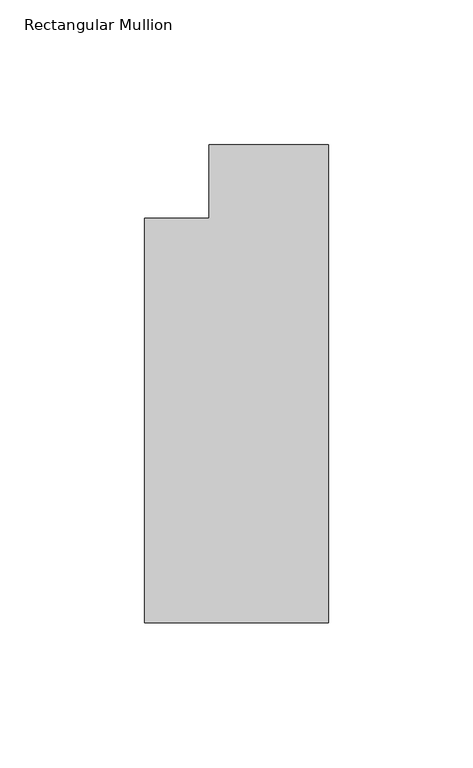
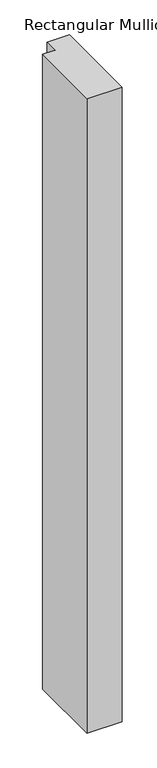
"""IFC4 building model written with IfcOpenShell, lengths in millimetres: member geometry, Rectangular Mullion."""

from ifc_helpers import new_model, si_unit, frame, origin, place, context, project, spatial, polyline, outline, extrude, source, transform, mapped, element, save


def rectangular_mullion_80685c4b(model_context):
    return source(origin(), model_context, "Body", "SweptSolid", [
        extrude(outline(polyline([(0.0, -165.099995), (-63.5, -165.099995), (-63.5, -25.4), (-41.2751132, -25.4), (-41.2751132, 0.0), (0.0, 0.0), (0.0, -165.099995)])), frame((0.0, 0.0, -1219.2), z_axis=(0.0, 0.0, 1.0), x_axis=(1.0, 0.0, 0.0)), (0.0, 0.0, 1.0), 1219.2),
    ])


if __name__ == "__main__":
    model = new_model("IFC4")
    model_context = context("Model", 3, world=origin())
    ifc_project = project(units=[si_unit("LENGTHUNIT", "METRE", prefix="MILLI")], contexts=[model_context])
    site = spatial("IfcSite", under=ifc_project)
    building = spatial("IfcBuilding", under=site)
    placement = place(None, origin())
    rectangular_mullion_shape = rectangular_mullion_80685c4b(model_context)
    element("IfcMember", 1, ObjectType="Rectangular Mullion", at=placement, inside=building, context=model_context, shape_type="MappedRepresentation", body=[
        mapped(rectangular_mullion_shape, transform((0.0, 0.0, 0.0), x_axis=(1.0, 0.0, 0.0), y_axis=(0.0, 1.0, 0.0), z_axis=(0.0, 0.0, 1.0))),
    ])
    save(model, "model.ifc")
